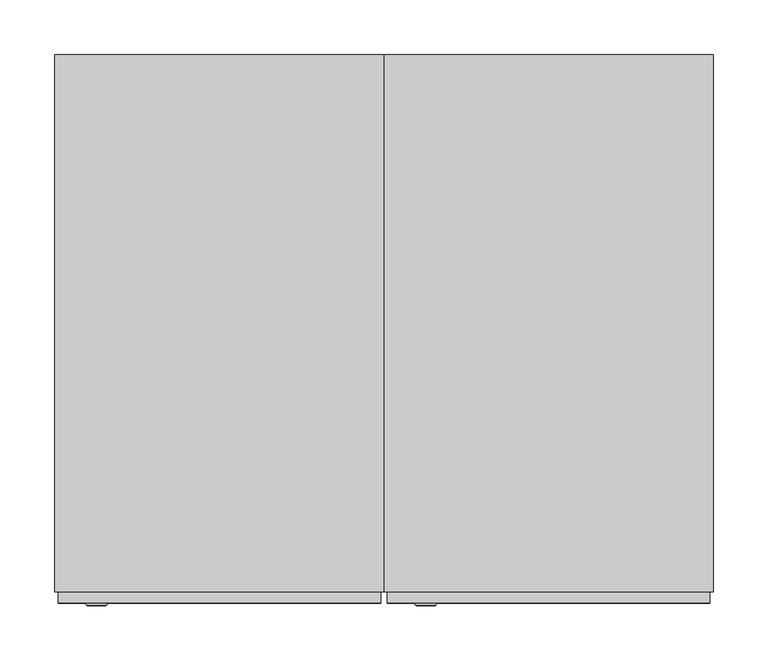
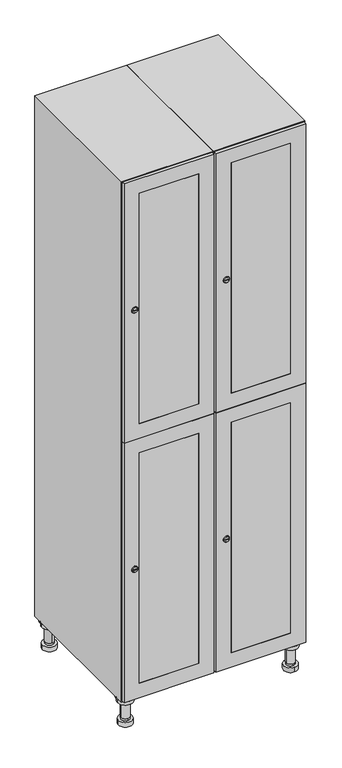
"""IFC4 building model written with IfcOpenShell, lengths in millimetres: furniture geometry."""

from ifc_helpers import new_model, si_unit, point, frame, frame_2d, origin, place, context, project, spatial, polyline, circle_curve, trimmed, segment, composite_curve, outline, extrude, faceted_brep, source, transform, mapped, element, save
from ifc_brep_helpers import plane_surface, cylinder_surface, revolved_surface, advanced_brep


def furniture_f6f9d429(model_context):
    return source(origin(), model_context, "Body", "SolidModel", [
        advanced_brep(
        [(370.0, -201.0, 22.0), (370.0, -201.5, 16.0), (370.0, -228.5, 16.0), (370.0, -229.0, 22.0), (356.0, -215.0, 22.0), (384.0, -215.0, 22.0), (370.0, -192.5, 16.0), (370.0, -237.5, 16.0), (370.0, -192.5, 0.0), (370.0, -237.5, 0.0), (384.0, -215.0, 78.0), (356.0, -215.0, 78.0), (395.0, -215.0, 78.0), (345.0, -215.0, 78.0), (400.0, -215.0, 94.0), (340.0, -215.0, 94.0), (345.0, -215.0, 94.0), (395.0, -215.0, 94.0), (400.0, -215.0, 100.0), (340.0, -215.0, 100.0)],
        [
            (0, 1),
            (1, 2, circle_curve(frame((370.0, -215.0, 16.0), z_axis=(0.0, 0.0, 1.0), x_axis=(0.0, -1.0, 0.0)), 13.5)),
            (2, 3),
            (3, 4, circle_curve(frame((370.0, -215.0, 22.0), z_axis=(0.0, 0.0, -1.0), x_axis=(0.0, -1.0, 0.0)), 14.0)),
            (4, 0, circle_curve(frame((370.0, -215.0, 22.0), z_axis=(0.0, 0.0, -1.0), x_axis=(0.0, -1.0, 0.0)), 14.0)),
            (0, 5, circle_curve(frame((370.0, -215.0, 22.0), z_axis=(0.0, 0.0, -1.0), x_axis=(0.0, 1.0, 0.0)), 14.0)),
            (5, 3, circle_curve(frame((370.0, -215.0, 22.0), z_axis=(0.0, 0.0, -1.0), x_axis=(0.0, 1.0, 0.0)), 14.0)),
            (2, 1, circle_curve(frame((370.0, -215.0, 16.0), z_axis=(0.0, 0.0, 1.0), x_axis=(0.0, 1.0, 0.0)), 13.5)),
            (6, 7, circle_curve(frame((370.0, -215.0, 16.0), z_axis=(0.0, 0.0, 1.0), x_axis=(0.0, -1.0, 0.0)), 22.5)),
            (7, 6, circle_curve(frame((370.0, -215.0, 16.0), z_axis=(0.0, 0.0, 1.0), x_axis=(0.0, -1.0, 0.0)), 22.5)),
            (8, 9, circle_curve(frame((370.0, -215.0, 0.0), z_axis=(0.0, 0.0, -1.0), x_axis=(0.0, -1.0, 0.0)), 22.5)),
            (9, 8, circle_curve(frame((370.0, -215.0, 0.0), z_axis=(0.0, 0.0, -1.0), x_axis=(0.0, -1.0, 0.0)), 22.5)),
            (6, 8),
            (9, 7),
            (5, 10),
            (10, 11, circle_curve(frame((370.0, -215.0, 78.0), z_axis=(0.0, 0.0, -1.0), x_axis=(-1.0, 0.0, 0.0)), 14.0)),
            (11, 4),
            (11, 10, circle_curve(frame((370.0, -215.0, 78.0), z_axis=(0.0, 0.0, -1.0), x_axis=(-1.0, 0.0, 0.0)), 14.0)),
            (12, 13, circle_curve(frame((370.0, -215.0, 78.0), z_axis=(0.0, 0.0, -1.0), x_axis=(-1.0, 0.0, 0.0)), 25.0)),
            (13, 12, circle_curve(frame((370.0, -215.0, 78.0), z_axis=(0.0, 0.0, -1.0), x_axis=(-1.0, 0.0, 0.0)), 25.0)),
            (14, 15, circle_curve(frame((370.0, -215.0, 94.0), z_axis=(0.0, 0.0, -1.0), x_axis=(-1.0, 0.0, 0.0)), 30.0)),
            (15, 14, circle_curve(frame((370.0, -215.0, 94.0), z_axis=(0.0, 0.0, -1.0), x_axis=(-1.0, 0.0, 0.0)), 30.0)),
            (16, 17, circle_curve(frame((370.0, -215.0, 94.0), z_axis=(0.0, 0.0, 1.0), x_axis=(-1.0, 0.0, 0.0)), 25.0)),
            (17, 16, circle_curve(frame((370.0, -215.0, 94.0), z_axis=(0.0, 0.0, 1.0), x_axis=(-1.0, 0.0, 0.0)), 25.0)),
            (18, 19, circle_curve(frame((370.0, -215.0, 100.0), z_axis=(0.0, 0.0, 1.0), x_axis=(-1.0, 0.0, 0.0)), 30.0)),
            (19, 18, circle_curve(frame((370.0, -215.0, 100.0), z_axis=(0.0, 0.0, 1.0), x_axis=(-1.0, 0.0, 0.0)), 30.0)),
            (14, 18),
            (19, 15),
            (12, 17),
            (16, 13),
        ],
        [
            revolved_surface(polyline([(370.0, -201.5, 16.0), (370.0, -201.0, 22.0)]), (370.0, -215.0, -146.0), (0.0, 0.0, 1.0)),
            plane_surface(frame((370.0, 0.0, 16.0), z_axis=(0.0, 0.0, 1.0), x_axis=(0.0, -1.0, 0.0))),
            plane_surface(frame((370.0, 0.0, 0.0), z_axis=(0.0, 0.0, -1.0), x_axis=(0.0, -1.0, 0.0))),
            cylinder_surface(frame((370.0, -215.0, 16.0), z_axis=(0.0, 0.0, 1.0), x_axis=(0.0, -1.0, 0.0)), 22.5),
            cylinder_surface(frame((370.0, -215.0, 22.0), z_axis=(0.0, 0.0, -1.0), x_axis=(-1.0, 0.0, 0.0)), 14.0),
            plane_surface(frame((370.0, 0.0, 78.0), z_axis=(0.0, 0.0, -1.0), x_axis=(0.0, -1.0, 0.0))),
            plane_surface(frame((370.0, 0.0, 94.0), z_axis=(0.0, 0.0, -1.0), x_axis=(0.0, -1.0, 0.0))),
            plane_surface(frame((370.0, 0.0, 100.0), z_axis=(0.0, 0.0, 1.0), x_axis=(0.0, -1.0, 0.0))),
            cylinder_surface(frame((370.0, -215.0, 94.0), z_axis=(0.0, 0.0, -1.0), x_axis=(-1.0, 0.0, 0.0)), 30.0),
            cylinder_surface(frame((370.0, -215.0, 78.0), z_axis=(0.0, 0.0, -1.0), x_axis=(-1.0, 0.0, 0.0)), 25.0),
        ],
        [
            (0, [[1, 2, 3, 4, 5]]),
            (0, [[-1, 6, 7, -3, 8]]),
            (1, [[9, 10], [-2, -8]]),
            (2, [[11, 12]]),
            (3, [[-9, 13, -12, 14]]),
            (3, [[-10, -14, -11, -13]]),
            (4, [[15, 16, 17, -4, -7]]),
            (4, [[-15, -6, -5, -17, 18]]),
            (5, [[19, 20], [-16, -18]]),
            (6, [[21, 22], [23, 24]]),
            (7, [[25, 26]]),
            (8, [[-21, 27, -26, 28]]),
            (8, [[-22, -28, -25, -27]]),
            (9, [[-19, 29, -23, 30]]),
            (9, [[-20, -30, -24, -29]]),
        ],
    ),
        advanced_brep(
        [(-170.0, -201.0, 22.0), (-170.0, -201.5, 16.0), (-170.0, -228.5, 16.0), (-170.0, -229.0, 22.0), (-184.0, -215.0, 22.0), (-156.0, -215.0, 22.0), (-147.5, -215.0, 0.0), (-192.5, -215.0, 0.0), (-147.5, -215.0, 16.0), (-192.5, -215.0, 16.0), (-156.0, -215.0, 78.0), (-184.0, -215.0, 78.0), (-145.0, -215.0, 78.0), (-195.0, -215.0, 78.0), (-140.0, -215.0, 94.0), (-200.0, -215.0, 94.0), (-195.0, -215.0, 94.0), (-145.0, -215.0, 94.0), (-140.0, -215.0, 100.0), (-200.0, -215.0, 100.0)],
        [
            (0, 1),
            (1, 2, circle_curve(frame((-170.0, -215.0, 16.0), z_axis=(0.0, 0.0, 1.0), x_axis=(0.0, -1.0, 0.0)), 13.5)),
            (2, 3),
            (3, 4, circle_curve(frame((-170.0, -215.0, 22.0), z_axis=(0.0, 0.0, -1.0), x_axis=(0.0, -1.0, 0.0)), 14.0)),
            (4, 0, circle_curve(frame((-170.0, -215.0, 22.0), z_axis=(0.0, 0.0, -1.0), x_axis=(0.0, -1.0, 0.0)), 14.0)),
            (0, 5, circle_curve(frame((-170.0, -215.0, 22.0), z_axis=(0.0, 0.0, -1.0), x_axis=(0.0, 1.0, 0.0)), 14.0)),
            (5, 3, circle_curve(frame((-170.0, -215.0, 22.0), z_axis=(0.0, 0.0, -1.0), x_axis=(0.0, 1.0, 0.0)), 14.0)),
            (2, 1, circle_curve(frame((-170.0, -215.0, 16.0), z_axis=(0.0, 0.0, 1.0), x_axis=(0.0, 1.0, 0.0)), 13.5)),
            (6, 7, circle_curve(frame((-170.0, -215.0, 0.0), z_axis=(0.0, 0.0, -1.0), x_axis=(-1.0, 0.0, 0.0)), 22.5)),
            (7, 6, circle_curve(frame((-170.0, -215.0, 0.0), z_axis=(0.0, 0.0, -1.0), x_axis=(-1.0, 0.0, 0.0)), 22.5)),
            (8, 9, circle_curve(frame((-170.0, -215.0, 16.0), z_axis=(0.0, 0.0, 1.0), x_axis=(-1.0, 0.0, 0.0)), 22.5)),
            (9, 8, circle_curve(frame((-170.0, -215.0, 16.0), z_axis=(0.0, 0.0, 1.0), x_axis=(-1.0, 0.0, 0.0)), 22.5)),
            (6, 8),
            (9, 7),
            (5, 10),
            (10, 11, circle_curve(frame((-170.0, -215.0, 78.0), z_axis=(0.0, 0.0, -1.0), x_axis=(-1.0, 0.0, 0.0)), 14.0)),
            (11, 4),
            (11, 10, circle_curve(frame((-170.0, -215.0, 78.0), z_axis=(0.0, 0.0, -1.0), x_axis=(-1.0, 0.0, 0.0)), 14.0)),
            (12, 13, circle_curve(frame((-170.0, -215.0, 78.0), z_axis=(0.0, 0.0, -1.0), x_axis=(-1.0, 0.0, 0.0)), 25.0)),
            (13, 12, circle_curve(frame((-170.0, -215.0, 78.0), z_axis=(0.0, 0.0, -1.0), x_axis=(-1.0, 0.0, 0.0)), 25.0)),
            (14, 15, circle_curve(frame((-170.0, -215.0, 94.0), z_axis=(0.0, 0.0, -1.0), x_axis=(-1.0, 0.0, 0.0)), 30.0)),
            (15, 14, circle_curve(frame((-170.0, -215.0, 94.0), z_axis=(0.0, 0.0, -1.0), x_axis=(-1.0, 0.0, 0.0)), 30.0)),
            (16, 17, circle_curve(frame((-170.0, -215.0, 94.0), z_axis=(0.0, 0.0, 1.0), x_axis=(-1.0, 0.0, 0.0)), 25.0)),
            (17, 16, circle_curve(frame((-170.0, -215.0, 94.0), z_axis=(0.0, 0.0, 1.0), x_axis=(-1.0, 0.0, 0.0)), 25.0)),
            (18, 19, circle_curve(frame((-170.0, -215.0, 100.0), z_axis=(0.0, 0.0, 1.0), x_axis=(-1.0, 0.0, 0.0)), 30.0)),
            (19, 18, circle_curve(frame((-170.0, -215.0, 100.0), z_axis=(0.0, 0.0, 1.0), x_axis=(-1.0, 0.0, 0.0)), 30.0)),
            (14, 18),
            (19, 15),
            (12, 17),
            (16, 13),
        ],
        [
            revolved_surface(polyline([(-170.0, -201.5, 16.0), (-170.0, -201.0, 22.0)]), (-170.0, -215.0, -146.0), (0.0, 0.0, 1.0)),
            plane_surface(frame((-170.0, 0.0, 0.0), z_axis=(0.0, 0.0, -1.0), x_axis=(0.0, -1.0, 0.0))),
            plane_surface(frame((-170.0, 0.0, 16.0), z_axis=(0.0, 0.0, 1.0), x_axis=(0.0, -1.0, 0.0))),
            cylinder_surface(frame((-170.0, -215.0, 0.0), z_axis=(0.0, 0.0, -1.0), x_axis=(-1.0, 0.0, 0.0)), 22.5),
            cylinder_surface(frame((-170.0, -215.0, 22.0), z_axis=(0.0, 0.0, -1.0), x_axis=(-1.0, 0.0, 0.0)), 14.0),
            plane_surface(frame((-170.0, 0.0, 78.0), z_axis=(0.0, 0.0, -1.0), x_axis=(0.0, -1.0, 0.0))),
            plane_surface(frame((-170.0, 0.0, 94.0), z_axis=(0.0, 0.0, -1.0), x_axis=(0.0, -1.0, 0.0))),
            plane_surface(frame((-170.0, 0.0, 100.0), z_axis=(0.0, 0.0, 1.0), x_axis=(0.0, -1.0, 0.0))),
            cylinder_surface(frame((-170.0, -215.0, 94.0), z_axis=(0.0, 0.0, -1.0), x_axis=(-1.0, 0.0, 0.0)), 30.0),
            cylinder_surface(frame((-170.0, -215.0, 78.0), z_axis=(0.0, 0.0, -1.0), x_axis=(-1.0, 0.0, 0.0)), 25.0),
        ],
        [
            (0, [[1, 2, 3, 4, 5]]),
            (0, [[-1, 6, 7, -3, 8]]),
            (1, [[9, 10]]),
            (2, [[11, 12], [-2, -8]]),
            (3, [[-9, 13, -12, 14]]),
            (3, [[-10, -14, -11, -13]]),
            (4, [[15, 16, 17, -4, -7]]),
            (4, [[-15, -6, -5, -17, 18]]),
            (5, [[19, 20], [-16, -18]]),
            (6, [[21, 22], [23, 24]]),
            (7, [[25, 26]]),
            (8, [[-21, 27, -26, 28]]),
            (8, [[-22, -28, -25, -27]]),
            (9, [[-19, 29, -23, 30]]),
            (9, [[-20, -30, -24, -29]]),
        ],
    ),
        advanced_brep(
        [(383.5, 215.0, 16.0), (384.0, 215.0, 22.0), (356.0, 215.0, 22.0), (356.5, 215.0, 16.0), (392.5, 215.0, 0.0), (347.5, 215.0, 0.0), (392.5, 215.0, 16.0), (347.5, 215.0, 16.0), (384.0, 215.0, 78.0), (356.0, 215.0, 78.0), (395.0, 215.0, 78.0), (345.0, 215.0, 78.0), (400.0, 215.0, 94.0), (340.0, 215.0, 94.0), (345.0, 215.0, 94.0), (395.0, 215.0, 94.0), (400.0, 215.0, 100.0), (340.0, 215.0, 100.0)],
        [
            (0, 1),
            (1, 2, circle_curve(frame((370.0, 215.0, 22.0), z_axis=(0.0, 0.0, -1.0), x_axis=(-1.0, 0.0, 0.0)), 14.0)),
            (2, 3),
            (3, 0, circle_curve(frame((370.0, 215.0, 16.0), z_axis=(0.0, 0.0, 1.0), x_axis=(-1.0, 0.0, 0.0)), 13.5)),
            (0, 3, circle_curve(frame((370.0, 215.0, 16.0), z_axis=(0.0, 0.0, 1.0), x_axis=(1.0, 0.0, 0.0)), 13.5)),
            (2, 1, circle_curve(frame((370.0, 215.0, 22.0), z_axis=(0.0, 0.0, -1.0), x_axis=(1.0, 0.0, 0.0)), 14.0)),
            (4, 5, circle_curve(frame((370.0, 215.0, 0.0), z_axis=(0.0, 0.0, -1.0), x_axis=(-1.0, 0.0, 0.0)), 22.5)),
            (5, 4, circle_curve(frame((370.0, 215.0, 0.0), z_axis=(0.0, 0.0, -1.0), x_axis=(-1.0, 0.0, 0.0)), 22.5)),
            (6, 7, circle_curve(frame((370.0, 215.0, 16.0), z_axis=(0.0, 0.0, 1.0), x_axis=(-1.0, 0.0, 0.0)), 22.5)),
            (7, 6, circle_curve(frame((370.0, 215.0, 16.0), z_axis=(0.0, 0.0, 1.0), x_axis=(-1.0, 0.0, 0.0)), 22.5)),
            (4, 6),
            (7, 5),
            (1, 8),
            (8, 9, circle_curve(frame((370.0, 215.0, 78.0), z_axis=(0.0, 0.0, -1.0), x_axis=(-1.0, 0.0, 0.0)), 14.0)),
            (9, 2),
            (9, 8, circle_curve(frame((370.0, 215.0, 78.0), z_axis=(0.0, 0.0, -1.0), x_axis=(-1.0, 0.0, 0.0)), 14.0)),
            (10, 11, circle_curve(frame((370.0, 215.0, 78.0), z_axis=(0.0, 0.0, -1.0), x_axis=(-1.0, 0.0, 0.0)), 25.0)),
            (11, 10, circle_curve(frame((370.0, 215.0, 78.0), z_axis=(0.0, 0.0, -1.0), x_axis=(-1.0, 0.0, 0.0)), 25.0)),
            (12, 13, circle_curve(frame((370.0, 215.0, 94.0), z_axis=(0.0, 0.0, -1.0), x_axis=(-1.0, 0.0, 0.0)), 30.0)),
            (13, 12, circle_curve(frame((370.0, 215.0, 94.0), z_axis=(0.0, 0.0, -1.0), x_axis=(-1.0, 0.0, 0.0)), 30.0)),
            (14, 15, circle_curve(frame((370.0, 215.0, 94.0), z_axis=(0.0, 0.0, 1.0), x_axis=(-1.0, 0.0, 0.0)), 25.0)),
            (15, 14, circle_curve(frame((370.0, 215.0, 94.0), z_axis=(0.0, 0.0, 1.0), x_axis=(-1.0, 0.0, 0.0)), 25.0)),
            (16, 17, circle_curve(frame((370.0, 215.0, 100.0), z_axis=(0.0, 0.0, 1.0), x_axis=(-1.0, 0.0, 0.0)), 30.0)),
            (17, 16, circle_curve(frame((370.0, 215.0, 100.0), z_axis=(0.0, 0.0, 1.0), x_axis=(-1.0, 0.0, 0.0)), 30.0)),
            (12, 16),
            (17, 13),
            (10, 15),
            (14, 11),
        ],
        [
            revolved_surface(polyline([(383.5, 215.0, 16.0), (384.0, 215.0, 22.0)]), (370.0, 215.0, -146.0), (0.0, 0.0, 1.0)),
            plane_surface(frame((370.0, 0.0, 0.0), z_axis=(0.0, 0.0, -1.0), x_axis=(0.0, -1.0, 0.0))),
            plane_surface(frame((370.0, 0.0, 16.0), z_axis=(0.0, 0.0, 1.0), x_axis=(0.0, -1.0, 0.0))),
            cylinder_surface(frame((370.0, 215.0, 0.0), z_axis=(0.0, 0.0, -1.0), x_axis=(-1.0, 0.0, 0.0)), 22.5),
            cylinder_surface(frame((370.0, 215.0, 22.0), z_axis=(0.0, 0.0, -1.0), x_axis=(-1.0, 0.0, 0.0)), 14.0),
            plane_surface(frame((370.0, 0.0, 78.0), z_axis=(0.0, 0.0, -1.0), x_axis=(0.0, -1.0, 0.0))),
            plane_surface(frame((370.0, 0.0, 94.0), z_axis=(0.0, 0.0, -1.0), x_axis=(0.0, -1.0, 0.0))),
            plane_surface(frame((370.0, 0.0, 100.0), z_axis=(0.0, 0.0, 1.0), x_axis=(0.0, -1.0, 0.0))),
            cylinder_surface(frame((370.0, 215.0, 94.0), z_axis=(0.0, 0.0, -1.0), x_axis=(-1.0, 0.0, 0.0)), 30.0),
            cylinder_surface(frame((370.0, 215.0, 78.0), z_axis=(0.0, 0.0, -1.0), x_axis=(-1.0, 0.0, 0.0)), 25.0),
        ],
        [
            (0, [[1, 2, 3, 4]]),
            (0, [[-1, 5, -3, 6]]),
            (1, [[7, 8]]),
            (2, [[9, 10], [-4, -5]]),
            (3, [[-7, 11, -10, 12]]),
            (3, [[-8, -12, -9, -11]]),
            (4, [[13, 14, 15, -2]]),
            (4, [[-13, -6, -15, 16]]),
            (5, [[17, 18], [-14, -16]]),
            (6, [[19, 20], [21, 22]]),
            (7, [[23, 24]]),
            (8, [[-19, 25, -24, 26]]),
            (8, [[-20, -26, -23, -25]]),
            (9, [[-17, 27, -21, 28]]),
            (9, [[-18, -28, -22, -27]]),
        ],
    ),
        advanced_brep(
        [(-156.5, 215.0, 16.0), (-156.0, 215.0, 22.0), (-170.0, 201.0, 22.0), (-184.0, 215.0, 22.0), (-183.5, 215.0, 16.0), (-170.0, 229.0, 22.0), (-147.5, 215.0, 0.0), (-192.5, 215.0, 0.0), (-147.5, 215.0, 16.0), (-192.5, 215.0, 16.0), (-170.0, 229.0, 78.0), (-170.0, 201.0, 78.0), (-145.0, 215.0, 78.0), (-195.0, 215.0, 78.0), (-140.0, 215.0, 94.0), (-200.0, 215.0, 94.0), (-195.0, 215.0, 94.0), (-145.0, 215.0, 94.0), (-140.0, 215.0, 100.0), (-200.0, 215.0, 100.0)],
        [
            (0, 1),
            (1, 2, circle_curve(frame((-170.0, 215.0, 22.0), z_axis=(0.0, 0.0, -1.0), x_axis=(-1.0, 0.0, 0.0)), 14.0)),
            (2, 3, circle_curve(frame((-170.0, 215.0, 22.0), z_axis=(0.0, 0.0, -1.0), x_axis=(-1.0, 0.0, 0.0)), 14.0)),
            (3, 4),
            (4, 0, circle_curve(frame((-170.0, 215.0, 16.0), z_axis=(0.0, 0.0, 1.0), x_axis=(-1.0, 0.0, 0.0)), 13.5)),
            (0, 4, circle_curve(frame((-170.0, 215.0, 16.0), z_axis=(0.0, 0.0, 1.0), x_axis=(1.0, 0.0, 0.0)), 13.5)),
            (3, 5, circle_curve(frame((-170.0, 215.0, 22.0), z_axis=(0.0, 0.0, -1.0), x_axis=(1.0, 0.0, 0.0)), 14.0)),
            (5, 1, circle_curve(frame((-170.0, 215.0, 22.0), z_axis=(0.0, 0.0, -1.0), x_axis=(1.0, 0.0, 0.0)), 14.0)),
            (6, 7, circle_curve(frame((-170.0, 215.0, 0.0), z_axis=(0.0, 0.0, -1.0), x_axis=(-1.0, 0.0, 0.0)), 22.5)),
            (7, 6, circle_curve(frame((-170.0, 215.0, 0.0), z_axis=(0.0, 0.0, -1.0), x_axis=(-1.0, 0.0, 0.0)), 22.5)),
            (8, 9, circle_curve(frame((-170.0, 215.0, 16.0), z_axis=(0.0, 0.0, 1.0), x_axis=(-1.0, 0.0, 0.0)), 22.5)),
            (9, 8, circle_curve(frame((-170.0, 215.0, 16.0), z_axis=(0.0, 0.0, 1.0), x_axis=(-1.0, 0.0, 0.0)), 22.5)),
            (6, 8),
            (9, 7),
            (10, 5),
            (2, 11),
            (11, 10, circle_curve(frame((-170.0, 215.0, 78.0), z_axis=(0.0, 0.0, -1.0), x_axis=(0.0, -1.0, 0.0)), 14.0)),
            (10, 11, circle_curve(frame((-170.0, 215.0, 78.0), z_axis=(0.0, 0.0, -1.0), x_axis=(0.0, -1.0, 0.0)), 14.0)),
            (12, 13, circle_curve(frame((-170.0, 215.0, 78.0), z_axis=(0.0, 0.0, -1.0), x_axis=(-1.0, 0.0, 0.0)), 25.0)),
            (13, 12, circle_curve(frame((-170.0, 215.0, 78.0), z_axis=(0.0, 0.0, -1.0), x_axis=(-1.0, 0.0, 0.0)), 25.0)),
            (14, 15, circle_curve(frame((-170.0, 215.0, 94.0), z_axis=(0.0, 0.0, -1.0), x_axis=(-1.0, 0.0, 0.0)), 30.0)),
            (15, 14, circle_curve(frame((-170.0, 215.0, 94.0), z_axis=(0.0, 0.0, -1.0), x_axis=(-1.0, 0.0, 0.0)), 30.0)),
            (16, 17, circle_curve(frame((-170.0, 215.0, 94.0), z_axis=(0.0, 0.0, 1.0), x_axis=(-1.0, 0.0, 0.0)), 25.0)),
            (17, 16, circle_curve(frame((-170.0, 215.0, 94.0), z_axis=(0.0, 0.0, 1.0), x_axis=(-1.0, 0.0, 0.0)), 25.0)),
            (18, 19, circle_curve(frame((-170.0, 215.0, 100.0), z_axis=(0.0, 0.0, 1.0), x_axis=(-1.0, 0.0, 0.0)), 30.0)),
            (19, 18, circle_curve(frame((-170.0, 215.0, 100.0), z_axis=(0.0, 0.0, 1.0), x_axis=(-1.0, 0.0, 0.0)), 30.0)),
            (14, 18),
            (19, 15),
            (12, 17),
            (16, 13),
        ],
        [
            revolved_surface(polyline([(-156.5, 215.0, 16.0), (-156.0, 215.0, 22.0)]), (-170.0, 215.0, -146.0), (0.0, 0.0, 1.0)),
            plane_surface(frame((-170.0, 0.0, 0.0), z_axis=(0.0, 0.0, -1.0), x_axis=(0.0, -1.0, 0.0))),
            plane_surface(frame((-170.0, 0.0, 16.0), z_axis=(0.0, 0.0, 1.0), x_axis=(0.0, -1.0, 0.0))),
            cylinder_surface(frame((-170.0, 215.0, 0.0), z_axis=(0.0, 0.0, -1.0), x_axis=(-1.0, 0.0, 0.0)), 22.5),
            cylinder_surface(frame((-170.0, 215.0, 78.0), z_axis=(0.0, 0.0, 1.0), x_axis=(0.0, -1.0, 0.0)), 14.0),
            plane_surface(frame((-170.0, 0.0, 78.0), z_axis=(0.0, 0.0, -1.0), x_axis=(0.0, -1.0, 0.0))),
            plane_surface(frame((-170.0, 0.0, 94.0), z_axis=(0.0, 0.0, -1.0), x_axis=(0.0, -1.0, 0.0))),
            plane_surface(frame((-170.0, 0.0, 100.0), z_axis=(0.0, 0.0, 1.0), x_axis=(0.0, -1.0, 0.0))),
            cylinder_surface(frame((-170.0, 215.0, 94.0), z_axis=(0.0, 0.0, -1.0), x_axis=(-1.0, 0.0, 0.0)), 30.0),
            cylinder_surface(frame((-170.0, 215.0, 78.0), z_axis=(0.0, 0.0, -1.0), x_axis=(-1.0, 0.0, 0.0)), 25.0),
        ],
        [
            (0, [[1, 2, 3, 4, 5]]),
            (0, [[-1, 6, -4, 7, 8]]),
            (1, [[9, 10]]),
            (2, [[11, 12], [-5, -6]]),
            (3, [[-9, 13, -12, 14]]),
            (3, [[-10, -14, -11, -13]]),
            (4, [[15, -7, -3, 16, 17]]),
            (4, [[-15, 18, -16, -2, -8]]),
            (5, [[19, 20], [-17, -18]]),
            (6, [[21, 22], [23, 24]]),
            (7, [[25, 26]]),
            (8, [[-21, 27, -26, 28]]),
            (8, [[-22, -28, -25, -27]]),
            (9, [[-19, 29, -23, 30]]),
            (9, [[-20, -30, -24, -29]]),
        ],
    ),
        extrude(outline(composite_curve([segment(trimmed(circle_curve(frame_2d((1448.5, 111.2010534)), 7.0), [point((1455.5, 111.2010534))], [point((1441.5, 111.2010534))], False, "CARTESIAN"), True, "CONTINUOUS"), segment(polyline([(1441.5, 111.2010534), (1441.5, 139.2010534)]), True, "CONTINUOUS"), segment(trimmed(circle_curve(frame_2d((1448.5, 139.2010534)), 7.0), [point((1441.5, 139.2010534))], [point((1455.5, 139.2010534))], False, "CARTESIAN"), True, "CONTINUOUS"), segment(polyline([(1455.5, 139.2010534), (1455.5, 111.2010534)]), True, "CONTINUOUS")], self_intersect=False)), frame((0.0, -245.0, 0.0), z_axis=(0.0, 1.0, 0.0), x_axis=(0.0, 0.0, 1.0)), (0.0, 0.0, 1.0), 2.0),
        advanced_brep(
        [(146.5, -257.2, 1448.5), (129.5, -257.2, 1448.5), (133.0, -257.2, 1447.25), (133.0, -257.2, 1449.75), (143.0, -257.2, 1449.75), (143.0, -257.2, 1447.25), (148.5, -255.0, 1448.5), (127.5, -255.0, 1448.5), (133.0, -255.0, 1449.75), (133.0, -255.0, 1447.25), (143.0, -255.0, 1447.25), (143.0, -255.0, 1449.75)],
        [
            (0, 1, circle_curve(frame((138.0, -257.2, 1448.5), z_axis=(0.0, -1.0, 0.0), x_axis=(1.0, 0.0, 0.0)), 8.5)),
            (1, 0, circle_curve(frame((138.0, -257.2, 1448.5), z_axis=(0.0, -1.0, 0.0), x_axis=(-1.0, 0.0, 0.0)), 8.5)),
            (2, 3),
            (3, 4),
            (4, 5),
            (5, 2),
            (6, 7, circle_curve(frame((138.0, -255.0, 1448.5), z_axis=(0.0, 1.0, 0.0), x_axis=(-1.0, 0.0, 0.0)), 10.5)),
            (7, 6, circle_curve(frame((138.0, -255.0, 1448.5), z_axis=(0.0, 1.0, 0.0), x_axis=(1.0, 0.0, 0.0)), 10.5)),
            (8, 9),
            (9, 10),
            (10, 11),
            (11, 8),
            (0, 6),
            (7, 1),
            (8, 3),
            (2, 9),
            (11, 4),
            (10, 5),
        ],
        [
            plane_surface(frame((138.0, -257.2, 1448.5), z_axis=(0.0, -1.0, 0.0), x_axis=(0.0, 0.0, 1.0))),
            plane_surface(frame((138.0, -255.0, 1448.5), z_axis=(0.0, 1.0, 0.0), x_axis=(0.0, 0.0, 1.0))),
            revolved_surface(polyline([(146.5, -257.2, 1448.5), (148.5, -255.0, 1448.5)]), (138.0, -266.55, 1448.5), (0.0, 1.0, 0.0)),
            revolved_surface(polyline([(129.5, -257.2, 1448.5), (127.5, -255.0, 1448.5)]), (138.0, -266.55, 1448.5), (0.0, 1.0, 0.0)),
            plane_surface(frame((133.0, -255.0, 1447.25), z_axis=(1.0, 0.0, 0.0), x_axis=(0.0, -1.0, 0.0))),
            plane_surface(frame((133.0, -255.0, 1449.75), z_axis=(0.0, 0.0, -1.0), x_axis=(0.0, -1.0, 0.0))),
            plane_surface(frame((143.0, -255.0, 1449.75), z_axis=(-1.0, 0.0, 0.0), x_axis=(0.0, -1.0, 0.0))),
            plane_surface(frame((143.0, -255.0, 1447.25), z_axis=(0.0, 0.0, 1.0), x_axis=(0.0, -1.0, 0.0))),
        ],
        [
            (0, [[1, 2], [3, 4, 5, 6]]),
            (1, [[7, 8], [9, 10, 11, 12]]),
            (2, [[-1, 13, -8, 14]]),
            (3, [[-2, -14, -7, -13]]),
            (4, [[15, -3, 16, -9]]),
            (5, [[-15, -12, 17, -4]]),
            (6, [[-17, -11, 18, -5]]),
            (7, [[-16, -6, -18, -10]]),
        ],
    ),
        extrude(outline(composite_curve([segment(trimmed(circle_curve(frame_2d((551.5, 111.2010534)), 7.0), [point((558.5, 111.2010534))], [point((544.5, 111.2010534))], False, "CARTESIAN"), True, "CONTINUOUS"), segment(polyline([(544.5, 111.2010534), (544.5, 139.2010534)]), True, "CONTINUOUS"), segment(trimmed(circle_curve(frame_2d((551.5, 139.2010534)), 7.0), [point((544.5, 139.2010534))], [point((558.5, 139.2010534))], False, "CARTESIAN"), True, "CONTINUOUS"), segment(polyline([(558.5, 139.2010534), (558.5, 111.2010534)]), True, "CONTINUOUS")], self_intersect=False)), frame((0.0, -245.0, 0.0), z_axis=(0.0, 1.0, 0.0), x_axis=(0.0, 0.0, 1.0)), (0.0, 0.0, 1.0), 2.0),
        advanced_brep(
        [(146.5, -257.2, 551.5), (129.5, -257.2, 551.5), (133.0, -257.2, 550.25), (133.0, -257.2, 552.75), (143.0, -257.2, 552.75), (143.0, -257.2, 550.25), (148.5, -255.0, 551.5), (127.5, -255.0, 551.5), (133.0, -255.0, 552.75), (133.0, -255.0, 550.25), (143.0, -255.0, 550.25), (143.0, -255.0, 552.75)],
        [
            (0, 1, circle_curve(frame((138.0, -257.2, 551.5), z_axis=(0.0, -1.0, 0.0), x_axis=(1.0, 0.0, 0.0)), 8.5)),
            (1, 0, circle_curve(frame((138.0, -257.2, 551.5), z_axis=(0.0, -1.0, 0.0), x_axis=(-1.0, 0.0, 0.0)), 8.5)),
            (2, 3),
            (3, 4),
            (4, 5),
            (5, 2),
            (6, 7, circle_curve(frame((138.0, -255.0, 551.5), z_axis=(0.0, 1.0, 0.0), x_axis=(-1.0, 0.0, 0.0)), 10.5)),
            (7, 6, circle_curve(frame((138.0, -255.0, 551.5), z_axis=(0.0, 1.0, 0.0), x_axis=(1.0, 0.0, 0.0)), 10.5)),
            (8, 9),
            (9, 10),
            (10, 11),
            (11, 8),
            (0, 6),
            (7, 1),
            (8, 3),
            (2, 9),
            (11, 4),
            (10, 5),
        ],
        [
            plane_surface(frame((138.0, -257.2, 551.5), z_axis=(0.0, -1.0, 0.0), x_axis=(0.0, 0.0, 1.0))),
            plane_surface(frame((138.0, -255.0, 551.5), z_axis=(0.0, 1.0, 0.0), x_axis=(0.0, 0.0, 1.0))),
            revolved_surface(polyline([(146.5, -257.2, 551.5), (148.5, -255.0, 551.5)]), (138.0, -266.55, 551.5), (0.0, 1.0, 0.0)),
            revolved_surface(polyline([(129.5, -257.2, 551.5), (127.5, -255.0, 551.5)]), (138.0, -266.55, 551.5), (0.0, 1.0, 0.0)),
            plane_surface(frame((133.0, -255.0, 550.25), z_axis=(1.0, 0.0, 0.0), x_axis=(0.0, -1.0, 0.0))),
            plane_surface(frame((133.0, -255.0, 552.75), z_axis=(0.0, 0.0, -1.0), x_axis=(0.0, -1.0, 0.0))),
            plane_surface(frame((143.0, -255.0, 552.75), z_axis=(-1.0, 0.0, 0.0), x_axis=(0.0, -1.0, 0.0))),
            plane_surface(frame((143.0, -255.0, 550.25), z_axis=(0.0, 0.0, 1.0), x_axis=(0.0, -1.0, 0.0))),
        ],
        [
            (0, [[1, 2], [3, 4, 5, 6]]),
            (1, [[7, 8], [9, 10, 11, 12]]),
            (2, [[-1, 13, -8, 14]]),
            (3, [[-2, -14, -7, -13]]),
            (4, [[15, -3, 16, -9]]),
            (5, [[-15, -12, 17, -4]]),
            (6, [[-17, -11, 18, -5]]),
            (7, [[-16, -6, -18, -10]]),
        ],
    ),
        extrude(outline(polyline([(1000.5, 397.0), (1897.0, 397.0), (1897.0, 103.0), (1000.5, 103.0), (1000.5, 397.0)]), holes=[polyline([(1847.0, 153.0), (1847.0, 347.0), (1050.5, 347.0), (1050.5, 153.0), (1847.0, 153.0)])]), frame((0.0, -255.0, 0.0), z_axis=(0.0, 1.0, 0.0), x_axis=(0.0, 0.0, 1.0)), (0.0, 0.0, 1.0), 10.0),
        extrude(outline(polyline([(999.5, 103.0), (103.0, 103.0), (103.0, 397.0), (999.5, 397.0), (999.5, 103.0)]), holes=[polyline([(153.0, 153.0), (949.5, 153.0), (949.5, 347.0), (153.0, 347.0), (153.0, 153.0)])]), frame((0.0, -255.0, 0.0), z_axis=(0.0, 1.0, 0.0), x_axis=(0.0, 0.0, 1.0)), (0.0, 0.0, 1.0), 10.0),
        extrude(outline(polyline([(347.0, -255.0), (153.0, -255.0), (153.0, -245.0), (347.0, -245.0), (347.0, -255.0)])), frame((0.0, 0.0, 1050.5), z_axis=(0.0, 0.0, 1.0), x_axis=(1.0, 0.0, 0.0)), (0.0, 0.0, 1.0), 796.5),
        extrude(outline(polyline([(347.0, -255.0), (153.0, -255.0), (153.0, -245.0), (347.0, -245.0), (347.0, -255.0)])), frame((0.0, 0.0, 153.0), z_axis=(0.0, 0.0, 1.0), x_axis=(1.0, 0.0, 0.0)), (0.0, 0.0, 1.0), 796.5),
        extrude(outline(polyline([(390.0, 241.0), (390.0, -235.0), (110.0, -235.0), (110.0, 241.0), (390.0, 241.0)])), frame((0.0, 0.0, 995.0), z_axis=(0.0, 0.0, 1.0), x_axis=(1.0, 0.0, 0.0)), (0.0, 0.0, 1.0), 10.0),
        faceted_brep([(400.0, -245.0, 100.0), (400.0, -245.0, 1900.0), (100.0, -245.0, 1900.0), (100.0, -245.0, 100.0), (390.0, -245.0, 1890.0), (390.0, -245.0, 110.0), (110.0, -245.0, 110.0), (110.0, -245.0, 1890.0), (400.0, 245.0, 100.0), (100.0, 245.0, 100.0), (400.0, 245.0, 1900.0), (100.0, 245.0, 1900.0), (390.0, 241.0, 1890.0), (390.0, 241.0, 110.0), (100.0, 245.0, 1890.0), (110.0, 241.0, 1890.0), (110.0, 241.0, 110.0)], [[[0, 1, 2, 3], [4, 5, 6, 7]], [[8, 0, 3, 9]], [[1, 0, 8, 10]], [[1, 10, 11, 2]], [[4, 12, 13, 5]], [[9, 3, 2, 11, 14]], [[10, 8, 9, 14, 11]], [[12, 15, 16, 13]], [[15, 7, 6, 16]], [[4, 7, 15, 12]], [[6, 5, 13, 16]]]),
        extrude(outline(composite_curve([segment(trimmed(circle_curve(frame_2d((1448.5, -188.7989466)), 7.0), [point((1455.5, -188.7989466))], [point((1441.5, -188.7989466))], False, "CARTESIAN"), True, "CONTINUOUS"), segment(polyline([(1441.5, -188.7989466), (1441.5, -160.7989466)]), True, "CONTINUOUS"), segment(trimmed(circle_curve(frame_2d((1448.5, -160.7989466)), 7.0), [point((1441.5, -160.7989466))], [point((1455.5, -160.7989466))], False, "CARTESIAN"), True, "CONTINUOUS"), segment(polyline([(1455.5, -160.7989466), (1455.5, -188.7989466)]), True, "CONTINUOUS")], self_intersect=False)), frame((0.0, -245.0, 0.0), z_axis=(0.0, 1.0, 0.0), x_axis=(0.0, 0.0, 1.0)), (0.0, 0.0, 1.0), 2.0),
        advanced_brep(
        [(-153.5, -257.2, 1448.5), (-170.5, -257.2, 1448.5), (-167.0, -257.2, 1447.25), (-167.0, -257.2, 1449.75), (-157.0, -257.2, 1449.75), (-157.0, -257.2, 1447.25), (-151.5, -255.0, 1448.5), (-172.5, -255.0, 1448.5), (-167.0, -255.0, 1449.75), (-167.0, -255.0, 1447.25), (-157.0, -255.0, 1447.25), (-157.0, -255.0, 1449.75)],
        [
            (0, 1, circle_curve(frame((-162.0, -257.2, 1448.5), z_axis=(0.0, -1.0, 0.0), x_axis=(1.0, 0.0, 0.0)), 8.5)),
            (1, 0, circle_curve(frame((-162.0, -257.2, 1448.5), z_axis=(0.0, -1.0, 0.0), x_axis=(-1.0, 0.0, 0.0)), 8.5)),
            (2, 3),
            (3, 4),
            (4, 5),
            (5, 2),
            (6, 7, circle_curve(frame((-162.0, -255.0, 1448.5), z_axis=(0.0, 1.0, 0.0), x_axis=(-1.0, 0.0, 0.0)), 10.5)),
            (7, 6, circle_curve(frame((-162.0, -255.0, 1448.5), z_axis=(0.0, 1.0, 0.0), x_axis=(1.0, 0.0, 0.0)), 10.5)),
            (8, 9),
            (9, 10),
            (10, 11),
            (11, 8),
            (0, 6),
            (7, 1),
            (8, 3),
            (2, 9),
            (11, 4),
            (10, 5),
        ],
        [
            plane_surface(frame((-162.0, -257.2, 1448.5), z_axis=(0.0, -1.0, 0.0), x_axis=(0.0, 0.0, 1.0))),
            plane_surface(frame((-162.0, -255.0, 1448.5), z_axis=(0.0, 1.0, 0.0), x_axis=(0.0, 0.0, 1.0))),
            revolved_surface(polyline([(-153.5, -257.2, 1448.5), (-151.5, -255.0, 1448.5)]), (-162.0, -266.55, 1448.5), (0.0, 1.0, 0.0)),
            revolved_surface(polyline([(-170.5, -257.2, 1448.5), (-172.5, -255.0, 1448.5)]), (-162.0, -266.55, 1448.5), (0.0, 1.0, 0.0)),
            plane_surface(frame((-167.0, -255.0, 1447.25), z_axis=(1.0, 0.0, 0.0), x_axis=(0.0, -1.0, 0.0))),
            plane_surface(frame((-167.0, -255.0, 1449.75), z_axis=(0.0, 0.0, -1.0), x_axis=(0.0, -1.0, 0.0))),
            plane_surface(frame((-157.0, -255.0, 1449.75), z_axis=(-1.0, 0.0, 0.0), x_axis=(0.0, -1.0, 0.0))),
            plane_surface(frame((-157.0, -255.0, 1447.25), z_axis=(0.0, 0.0, 1.0), x_axis=(0.0, -1.0, 0.0))),
        ],
        [
            (0, [[1, 2], [3, 4, 5, 6]]),
            (1, [[7, 8], [9, 10, 11, 12]]),
            (2, [[-1, 13, -8, 14]]),
            (3, [[-2, -14, -7, -13]]),
            (4, [[15, -3, 16, -9]]),
            (5, [[-15, -12, 17, -4]]),
            (6, [[-17, -11, 18, -5]]),
            (7, [[-16, -6, -18, -10]]),
        ],
    ),
        extrude(outline(composite_curve([segment(trimmed(circle_curve(frame_2d((551.5, -188.7989466)), 7.0), [point((558.5, -188.7989466))], [point((544.5, -188.7989466))], False, "CARTESIAN"), True, "CONTINUOUS"), segment(polyline([(544.5, -188.7989466), (544.5, -160.7989466)]), True, "CONTINUOUS"), segment(trimmed(circle_curve(frame_2d((551.5, -160.7989466)), 7.0), [point((544.5, -160.7989466))], [point((558.5, -160.7989466))], False, "CARTESIAN"), True, "CONTINUOUS"), segment(polyline([(558.5, -160.7989466), (558.5, -188.7989466)]), True, "CONTINUOUS")], self_intersect=False)), frame((0.0, -245.0, 0.0), z_axis=(0.0, 1.0, 0.0), x_axis=(0.0, 0.0, 1.0)), (0.0, 0.0, 1.0), 2.0),
        advanced_brep(
        [(-153.5, -257.2, 551.5), (-170.5, -257.2, 551.5), (-167.0, -257.2, 550.25), (-167.0, -257.2, 552.75), (-157.0, -257.2, 552.75), (-157.0, -257.2, 550.25), (-151.5, -255.0, 551.5), (-172.5, -255.0, 551.5), (-167.0, -255.0, 552.75), (-167.0, -255.0, 550.25), (-157.0, -255.0, 550.25), (-157.0, -255.0, 552.75)],
        [
            (0, 1, circle_curve(frame((-162.0, -257.2, 551.5), z_axis=(0.0, -1.0, 0.0), x_axis=(1.0, 0.0, 0.0)), 8.5)),
            (1, 0, circle_curve(frame((-162.0, -257.2, 551.5), z_axis=(0.0, -1.0, 0.0), x_axis=(-1.0, 0.0, 0.0)), 8.5)),
            (2, 3),
            (3, 4),
            (4, 5),
            (5, 2),
            (6, 7, circle_curve(frame((-162.0, -255.0, 551.5), z_axis=(0.0, 1.0, 0.0), x_axis=(-1.0, 0.0, 0.0)), 10.5)),
            (7, 6, circle_curve(frame((-162.0, -255.0, 551.5), z_axis=(0.0, 1.0, 0.0), x_axis=(1.0, 0.0, 0.0)), 10.5)),
            (8, 9),
            (9, 10),
            (10, 11),
            (11, 8),
            (0, 6),
            (7, 1),
            (8, 3),
            (2, 9),
            (11, 4),
            (10, 5),
        ],
        [
            plane_surface(frame((-162.0, -257.2, 551.5), z_axis=(0.0, -1.0, 0.0), x_axis=(0.0, 0.0, 1.0))),
            plane_surface(frame((-162.0, -255.0, 551.5), z_axis=(0.0, 1.0, 0.0), x_axis=(0.0, 0.0, 1.0))),
            revolved_surface(polyline([(-153.5, -257.2, 551.5), (-151.5, -255.0, 551.5)]), (-162.0, -266.55, 551.5), (0.0, 1.0, 0.0)),
            revolved_surface(polyline([(-170.5, -257.2, 551.5), (-172.5, -255.0, 551.5)]), (-162.0, -266.55, 551.5), (0.0, 1.0, 0.0)),
            plane_surface(frame((-167.0, -255.0, 550.25), z_axis=(1.0, 0.0, 0.0), x_axis=(0.0, -1.0, 0.0))),
            plane_surface(frame((-167.0, -255.0, 552.75), z_axis=(0.0, 0.0, -1.0), x_axis=(0.0, -1.0, 0.0))),
            plane_surface(frame((-157.0, -255.0, 552.75), z_axis=(-1.0, 0.0, 0.0), x_axis=(0.0, -1.0, 0.0))),
            plane_surface(frame((-157.0, -255.0, 550.25), z_axis=(0.0, 0.0, 1.0), x_axis=(0.0, -1.0, 0.0))),
        ],
        [
            (0, [[1, 2], [3, 4, 5, 6]]),
            (1, [[7, 8], [9, 10, 11, 12]]),
            (2, [[-1, 13, -8, 14]]),
            (3, [[-2, -14, -7, -13]]),
            (4, [[15, -3, 16, -9]]),
            (5, [[-15, -12, 17, -4]]),
            (6, [[-17, -11, 18, -5]]),
            (7, [[-16, -6, -18, -10]]),
        ],
    ),
        extrude(outline(polyline([(1000.5, 97.0), (1897.0, 97.0), (1897.0, -197.0), (1000.5, -197.0), (1000.5, 97.0)]), holes=[polyline([(1847.0, -147.0), (1847.0, 47.0), (1050.5, 47.0), (1050.5, -147.0), (1847.0, -147.0)])]), frame((0.0, -255.0, 0.0), z_axis=(0.0, 1.0, 0.0), x_axis=(0.0, 0.0, 1.0)), (0.0, 0.0, 1.0), 10.0),
        extrude(outline(polyline([(999.5, -197.0), (103.0, -197.0), (103.0, 97.0), (999.5, 97.0), (999.5, -197.0)]), holes=[polyline([(153.0, -147.0), (949.5, -147.0), (949.5, 47.0), (153.0, 47.0), (153.0, -147.0)])]), frame((0.0, -255.0, 0.0), z_axis=(0.0, 1.0, 0.0), x_axis=(0.0, 0.0, 1.0)), (0.0, 0.0, 1.0), 10.0),
        extrude(outline(polyline([(47.0, -255.0), (-147.0, -255.0), (-147.0, -245.0), (47.0, -245.0), (47.0, -255.0)])), frame((0.0, 0.0, 1050.5), z_axis=(0.0, 0.0, 1.0), x_axis=(1.0, 0.0, 0.0)), (0.0, 0.0, 1.0), 796.5),
        extrude(outline(polyline([(47.0, -255.0), (-147.0, -255.0), (-147.0, -245.0), (47.0, -245.0), (47.0, -255.0)])), frame((0.0, 0.0, 153.0), z_axis=(0.0, 0.0, 1.0), x_axis=(1.0, 0.0, 0.0)), (0.0, 0.0, 1.0), 796.5),
        extrude(outline(polyline([(90.0, 241.0), (90.0, -235.0), (-190.0, -235.0), (-190.0, 241.0), (90.0, 241.0)])), frame((0.0, 0.0, 995.0), z_axis=(0.0, 0.0, 1.0), x_axis=(1.0, 0.0, 0.0)), (0.0, 0.0, 1.0), 10.0),
        faceted_brep([(100.0, -245.0, 100.0), (100.0, -245.0, 1900.0), (-200.0, -245.0, 1900.0), (-200.0, -245.0, 100.0), (90.0, -245.0, 1890.0), (90.0, -245.0, 110.0), (-190.0, -245.0, 110.0), (-190.0, -245.0, 1890.0), (100.0, 245.0, 100.0), (-200.0, 245.0, 100.0), (100.0, 245.0, 1900.0), (-200.0, 245.0, 1900.0), (90.0, 241.0, 1890.0), (90.0, 241.0, 110.0), (-200.0, 245.0, 1890.0), (-190.0, 241.0, 1890.0), (-190.0, 241.0, 110.0)], [[[0, 1, 2, 3], [4, 5, 6, 7]], [[8, 0, 3, 9]], [[1, 0, 8, 10]], [[1, 10, 11, 2]], [[4, 12, 13, 5]], [[9, 3, 2, 11, 14]], [[10, 8, 9, 14, 11]], [[12, 15, 16, 13]], [[15, 7, 6, 16]], [[4, 7, 15, 12]], [[6, 5, 13, 16]]]),
    ])


if __name__ == "__main__":
    model = new_model("IFC4")
    model_context = context("Model", 3, world=origin())
    ifc_project = project(units=[si_unit("LENGTHUNIT", "METRE", prefix="MILLI")], contexts=[model_context])
    site = spatial("IfcSite", under=ifc_project)
    building = spatial("IfcBuilding", under=site)
    placement = place(None, origin())
    furniture_shape = furniture_f6f9d429(model_context)
    element("IfcFurniture", 1, at=placement, inside=building, context=model_context, shape_type="MappedRepresentation", body=[
        mapped(furniture_shape, transform((0.0, 0.0, 0.0), x_axis=(1.0, 0.0, 0.0), y_axis=(0.0, 1.0, 0.0), z_axis=(0.0, 0.0, 1.0))),
    ])
    save(model, "model.ifc")
